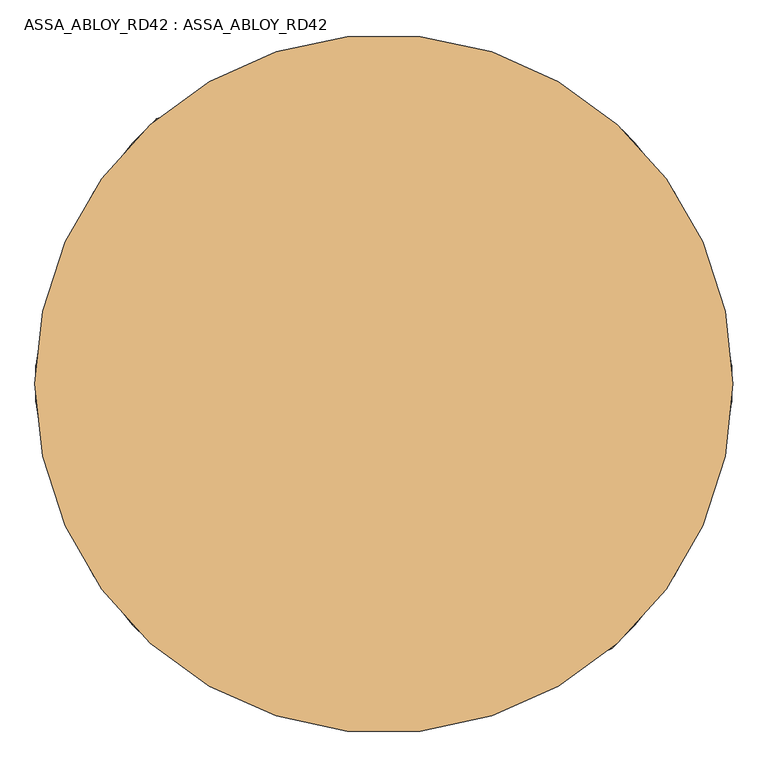
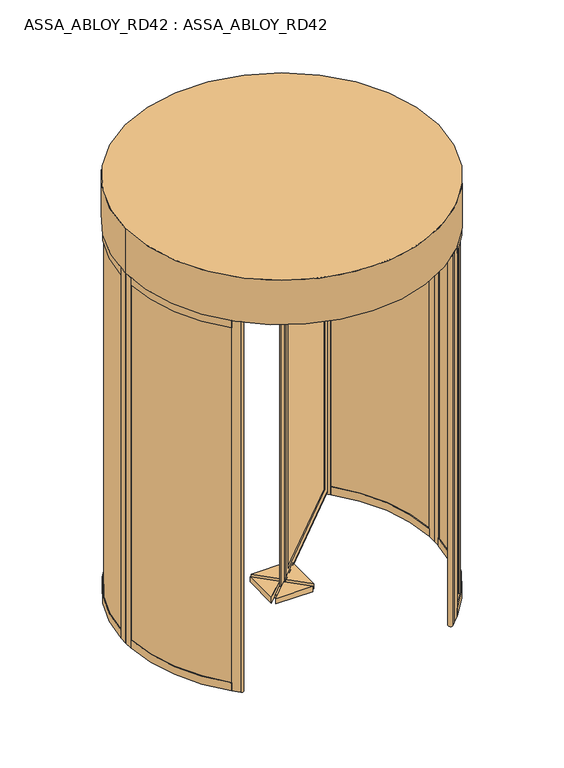
"""IFC4 building model written with IfcOpenShell, lengths in millimetres: door geometry, ASSA_ABLOY_RD42 : ASSA_ABLOY_RD42."""

from ifc_helpers import new_model, si_unit, point, frame, frame_2d, origin, origin_with_axes, place, context, project, spatial, polyline, circle_curve, ellipse_curve, trimmed, segment, composite_curve, outline, extrude, source, transform, mapped, element, save
from ifc_brep_helpers import plane_surface, cylinder_surface, revolved_surface, advanced_brep


def assa_abloy_rd42_assa_abloy_rd42_bffa6f6a(model_context):
    return source(origin(), model_context, "Body", "SolidModel", [
        advanced_brep(
        [(744.4255403, 605.2834047, 105.0), (746.5468607, 603.1620844, 105.0), (746.5468607, 603.1620844, 2395.0), (744.4255403, 605.2834047, 2395.0), (744.4255403, 633.5676759, 85.0), (758.5676759, 619.4255403, 85.0), (758.5676759, 619.4255403, 2415.0), (744.4255403, 633.5676759, 2415.0), (728.1620844, 621.5468607, 105.0), (730.2834047, 619.4255403, 105.0), (730.2834047, 619.4255403, 2395.0), (728.1620844, 621.5468607, 2395.0), (783.3164133, 639.931637, 53.0), (764.931637, 658.3164133, 53.0), (764.931637, 658.3164133, 2447.0), (783.3164133, 639.931637, 2447.0), (191.4680374, 48.0832611, 2395.0), (189.3467171, 50.2045815, 2395.0), (175.2045815, 36.0624458, 2415.0), (161.0624458, 50.2045815, 2415.0), (175.2045815, 64.3467171, 2395.0), (173.0832611, 66.4680374, 2395.0), (136.3137085, 29.6984848, 2447.0), (154.6984848, 11.3137085, 2447.0), (191.4680374, 48.0832611, 105.0), (189.3467171, 50.2045815, 105.0), (175.2045815, 36.0624458, 85.0), (161.0624458, 50.2045815, 85.0), (175.2045815, 64.3467171, 105.0), (173.0832611, 66.4680374, 105.0), (136.3137085, 29.6984848, 53.0), (154.6984848, 11.3137085, 53.0)],
        [
            (0, 1),
            (1, 2),
            (2, 3),
            (3, 0),
            (4, 5),
            (5, 6),
            (6, 7),
            (7, 4),
            (8, 9),
            (9, 10),
            (10, 11),
            (11, 8),
            (12, 13, ellipse_curve(frame((774.1240251, 649.1240251, 53.0), z_axis=(0.5000000000000073, 0.4999999999999926, 0.7071067811865475), x_axis=(0.4999999999999934, 0.5000000000000063, -0.7071067811865476)), 18.3847763, 13.0)),
            (13, 14),
            (14, 15, ellipse_curve(frame((774.1240251, 649.1240251, 2447.0), z_axis=(0.49999999999999345, 0.5000000000000064, -0.7071067811865475), x_axis=(-0.5000000000000072, -0.4999999999999925, -0.7071067811865476)), 18.3847763, 13.0)),
            (15, 12),
            (2, 16),
            (16, 17),
            (17, 3),
            (6, 18),
            (18, 19),
            (19, 7),
            (10, 20),
            (20, 21),
            (21, 11),
            (14, 22),
            (22, 23, ellipse_curve(frame((145.5060967, 20.5060967, 2447.0), z_axis=(0.5000000000000073, 0.4999999999999926, 0.7071067811865475), x_axis=(0.4999999999999936, 0.5000000000000066, -0.7071067811865475)), 18.3847763, 13.0)),
            (23, 15),
            (16, 24),
            (24, 25),
            (25, 17),
            (18, 26),
            (26, 27),
            (27, 19),
            (20, 28),
            (28, 29),
            (29, 21),
            (22, 30),
            (30, 31, ellipse_curve(frame((145.5060967, 20.5060967, 53.0), z_axis=(-0.49999999999999345, -0.5000000000000064, 0.7071067811865475), x_axis=(0.5000000000000072, 0.4999999999999925, 0.7071067811865476)), 18.3847763, 13.0)),
            (31, 23),
            (24, 1),
            (0, 25),
            (5, 26),
            (4, 27),
            (9, 28),
            (8, 29),
            (13, 30),
            (12, 31),
        ],
        [
            plane_surface(frame((746.5468607, 603.1620844, 105.0), z_axis=(-0.7071067811865499, -0.7071067811865451, 0.0), x_axis=(0.0, 0.0, 1.0))),
            plane_surface(frame((758.5676759, 619.4255403, 85.0), z_axis=(-0.7071067811865483, -0.7071067811865467, 0.0), x_axis=(0.0, 0.0, 1.0))),
            plane_surface(frame((730.2834047, 619.4255403, 105.0), z_axis=(-0.7071067811865499, -0.7071067811865451, 0.0), x_axis=(0.0, 0.0, 1.0))),
            cylinder_surface(frame((774.1240251, 649.1240251, 40.0), z_axis=(0.0, 0.0, -1.0), x_axis=(-0.7071067811865481, -0.7071067811865469, 0.0)), 13.0),
            plane_surface(frame((746.5468607, 603.1620844, 2395.0), z_axis=(0.0, 0.0, -1.0), x_axis=(-0.7071067811865481, -0.7071067811865469, 0.0))),
            plane_surface(frame((758.5676759, 619.4255403, 2415.0), z_axis=(0.0, 0.0, -1.0), x_axis=(-0.7071067811865481, -0.7071067811865469, 0.0))),
            plane_surface(frame((730.2834047, 619.4255403, 2395.0), z_axis=(0.0, 0.0, -1.0), x_axis=(-0.7071067811865481, -0.7071067811865469, 0.0))),
            cylinder_surface(frame((783.3164133, 658.3164133, 2447.0), z_axis=(0.7071067811865481, 0.7071067811865469, 0.0), x_axis=(0.0, 0.0, -1.0)), 13.0),
            plane_surface(frame((191.4680374, 48.0832611, 2395.0), z_axis=(0.7071067811865464, 0.7071067811865487, 0.0), x_axis=(0.0, 0.0, -1.0))),
            plane_surface(frame((175.2045815, 36.0624458, 2415.0), z_axis=(0.7071067811865479, 0.7071067811865471, 0.0), x_axis=(0.0, 0.0, -1.0))),
            plane_surface(frame((175.2045815, 64.3467171, 2395.0), z_axis=(0.7071067811865464, 0.7071067811865487, 0.0), x_axis=(0.0, 0.0, -1.0))),
            cylinder_surface(frame((145.5060967, 20.5060967, 2460.0), z_axis=(0.0, 0.0, 1.0), x_axis=(0.7071067811865481, 0.7071067811865469, 0.0)), 13.0),
            plane_surface(frame((191.4680374, 48.0832611, 105.0), z_axis=(0.0, 0.0, 1.0), x_axis=(0.7071067811865481, 0.7071067811865469, 0.0))),
            plane_surface(frame((189.3467171, 50.2045815, 105.0), z_axis=(-0.7071067811865469, 0.7071067811865481, 0.0), x_axis=(0.7071067811865481, 0.7071067811865469, 0.0))),
            plane_surface(frame((175.2045815, 36.0624458, 85.0), z_axis=(0.0, 0.0, 1.0), x_axis=(0.7071067811865481, 0.7071067811865469, 0.0))),
            plane_surface(frame((161.0624458, 50.2045815, 85.0), z_axis=(0.7071067811865469, -0.7071067811865481, 0.0), x_axis=(0.7071067811865481, 0.7071067811865469, 0.0))),
            plane_surface(frame((175.2045815, 64.3467171, 105.0), z_axis=(0.0, 0.0, 1.0), x_axis=(0.7071067811865481, 0.7071067811865469, 0.0))),
            plane_surface(frame((173.0832611, 66.4680374, 105.0), z_axis=(-0.7071067811865469, 0.7071067811865481, 0.0), x_axis=(0.7071067811865481, 0.7071067811865469, 0.0))),
            cylinder_surface(frame((136.3137085, 11.3137085, 53.0), z_axis=(-0.7071067811865481, -0.7071067811865469, 0.0), x_axis=(0.0, 0.0, 1.0)), 13.0),
            plane_surface(frame((154.6984848, 11.3137085, 53.0), z_axis=(0.7071067811865469, -0.7071067811865481, 0.0), x_axis=(0.7071067811865481, 0.7071067811865469, 0.0))),
        ],
        [
            (0, [[1, 2, 3, 4]]),
            (1, [[5, 6, 7, 8]]),
            (2, [[9, 10, 11, 12]]),
            (3, [[13, 14, 15, 16]]),
            (4, [[-3, 17, 18, 19]]),
            (5, [[-7, 20, 21, 22]]),
            (6, [[-11, 23, 24, 25]]),
            (7, [[-15, 26, 27, 28]]),
            (8, [[-18, 29, 30, 31]]),
            (9, [[-21, 32, 33, 34]]),
            (10, [[-24, 35, 36, 37]]),
            (11, [[-27, 38, 39, 40]]),
            (12, [[-30, 41, -1, 42]]),
            (13, [[43, -32, -20, -6], [-19, -31, -42, -4]]),
            (14, [[-33, -43, -5, 44]]),
            (15, [[-22, -34, -44, -8], [45, -35, -23, -10]]),
            (16, [[-36, -45, -9, 46]]),
            (17, [[47, -38, -26, -14], [-25, -37, -46, -12]]),
            (18, [[-39, -47, -13, 48]]),
            (19, [[-28, -40, -48, -16], [-41, -29, -17, -2]]),
        ],
    ),
        extrude(outline(polyline([(747.9610742, 630.032142), (755.032142, 622.9610742), (171.6690476, 39.5979797), (164.5979797, 46.6690476), (747.9610742, 630.032142)])), frame((0.0, 0.0, 85.0), z_axis=(0.0, 0.0, 1.0), x_axis=(1.0, 0.0, 0.0)), (0.0, 0.0, 1.0), 2330.0),
        extrude(outline(composite_curve([segment(trimmed(circle_curve(frame_2d((125.0, 0.0)), 24.0), [point((108.0294373, -16.9705627))], [point((141.9705627, 16.9705627))], False, "CARTESIAN"), True, "CONTINUOUS"), segment(trimmed(circle_curve(frame_2d((125.0, 0.0)), 24.0), [point((141.9705627, 16.9705627))], [point((108.0294373, -16.9705627))], False, "CARTESIAN"), True, "CONTINUOUS")], self_intersect=False)), origin_with_axes(), (0.0, 0.0, 1.0), 20.0),
        extrude(outline(composite_curve([segment(trimmed(circle_curve(frame_2d((125.0, 0.0)), 100.0), [point((54.2893219, -70.7106781))], [point((195.7106781, 70.7106781))], False, "CARTESIAN"), True, "CONTINUOUS"), segment(trimmed(circle_curve(frame_2d((125.0, 0.0)), 100.0), [point((195.7106781, 70.7106781))], [point((54.2893219, -70.7106781))], False, "CARTESIAN"), True, "CONTINUOUS")], self_intersect=False)), frame((0.0, 0.0, 20.0), z_axis=(0.0, 0.0, 1.0), x_axis=(1.0, 0.0, 0.0)), (0.0, 0.0, 1.0), 20.0),
        extrude(outline(composite_curve([segment(trimmed(circle_curve(frame_2d((125.0, 0.0)), 24.0), [point((141.9705627, 16.9705627))], [point((108.0294373, -16.9705627))], False, "CARTESIAN"), True, "CONTINUOUS"), segment(trimmed(circle_curve(frame_2d((125.0, 0.0)), 24.0), [point((108.0294373, -16.9705627))], [point((141.9705627, 16.9705627))], False, "CARTESIAN"), True, "CONTINUOUS")], self_intersect=False)), frame((0.0, 0.0, 2480.0), z_axis=(0.0, 0.0, 1.0), x_axis=(1.0, 0.0, 0.0)), (0.0, 0.0, 1.0), 20.0),
        extrude(outline(composite_curve([segment(trimmed(circle_curve(frame_2d((125.0, 0.0)), 100.0), [point((195.7106781, 70.7106781))], [point((54.2893219, -70.7106781))], False, "CARTESIAN"), True, "CONTINUOUS"), segment(trimmed(circle_curve(frame_2d((125.0, 0.0)), 100.0), [point((54.2893219, -70.7106781))], [point((195.7106781, 70.7106781))], False, "CARTESIAN"), True, "CONTINUOUS")], self_intersect=False)), frame((0.0, 0.0, 2460.0), z_axis=(0.0, 0.0, 1.0), x_axis=(1.0, 0.0, 0.0)), (0.0, 0.0, 1.0), 20.0),
        extrude(outline(composite_curve([segment(trimmed(circle_curve(frame_2d((125.0, 0.0)), 12.5), [point((116.1611652, -8.8388348))], [point((133.8388348, 8.8388348))], False, "CARTESIAN"), True, "CONTINUOUS"), segment(trimmed(circle_curve(frame_2d((125.0, 0.0)), 12.5), [point((133.8388348, 8.8388348))], [point((116.1611652, -8.8388348))], False, "CARTESIAN"), True, "CONTINUOUS")], self_intersect=False)), origin_with_axes(), (0.0, 0.0, 1.0), 2500.0),
        extrude(outline(polyline([(-11.0, 117.6152237), (106.6152237, 0.0), (-11.0, -117.6152237), (-11.0, 117.6152237)])), frame((0.0, 0.0, 2425.0), z_axis=(0.0, 0.0, 1.0), x_axis=(1.0, 0.0, 0.0)), (0.0, 0.0, 1.0), 35.0),
        extrude(outline(polyline([(7.3847763, -136.0), (125.0, -18.3847763), (242.6152237, -136.0), (7.3847763, -136.0)])), frame((0.0, 0.0, 2425.0), z_axis=(0.0, 0.0, 1.0), x_axis=(1.0, 0.0, 0.0)), (0.0, 0.0, 1.0), 35.0),
        extrude(outline(polyline([(261.0, -117.6152237), (143.3847763, 0.0), (261.0, 117.6152237), (261.0, -117.6152237)])), frame((0.0, 0.0, 2425.0), z_axis=(0.0, 0.0, 1.0), x_axis=(1.0, 0.0, 0.0)), (0.0, 0.0, 1.0), 35.0),
        extrude(outline(polyline([(242.6152237, 136.0), (125.0, 18.3847763), (7.3847763, 136.0), (242.6152237, 136.0)])), frame((0.0, 0.0, 2425.0), z_axis=(0.0, 0.0, 1.0), x_axis=(1.0, 0.0, 0.0)), (0.0, 0.0, 1.0), 35.0),
        extrude(outline(polyline([(-11.0, 117.6152237), (106.6152237, 0.0), (-11.0, -117.6152237), (-11.0, 117.6152237)])), frame((0.0, 0.0, 40.0), z_axis=(0.0, 0.0, 1.0), x_axis=(1.0, 0.0, 0.0)), (0.0, 0.0, 1.0), 35.0),
        extrude(outline(polyline([(7.3847763, -136.0), (125.0, -18.3847763), (242.6152237, -136.0), (7.3847763, -136.0)])), frame((0.0, 0.0, 40.0), z_axis=(0.0, 0.0, 1.0), x_axis=(1.0, 0.0, 0.0)), (0.0, 0.0, 1.0), 35.0),
        extrude(outline(polyline([(261.0, -117.6152237), (143.3847763, 0.0), (261.0, 117.6152237), (261.0, -117.6152237)])), frame((0.0, 0.0, 40.0), z_axis=(0.0, 0.0, 1.0), x_axis=(1.0, 0.0, 0.0)), (0.0, 0.0, 1.0), 35.0),
        extrude(outline(polyline([(242.6152237, 136.0), (125.0, 18.3847763), (7.3847763, 136.0), (242.6152237, 136.0)])), frame((0.0, 0.0, 40.0), z_axis=(0.0, 0.0, 1.0), x_axis=(1.0, 0.0, 0.0)), (0.0, 0.0, 1.0), 35.0),
        extrude(outline(composite_curve([segment(trimmed(circle_curve(frame_2d((125.0, 0.0)), 974.0), [point((-563.7220049, 688.7220049))], [point((-563.7220049, -688.7220049))], True, "CARTESIAN"), True, "CONTINUOUS"), segment(polyline([(-563.7220049, -688.7220049), (-577.8641405, -702.8641405)]), True, "CONTINUOUS"), segment(trimmed(circle_curve(frame_2d((125.0, 0.0)), 994.0), [point((-577.8641405, -702.8641405))], [point((-577.8641405, 702.8641405))], False, "CARTESIAN"), True, "CONTINUOUS"), segment(polyline([(-577.8641405, 702.8641405), (-563.7220049, 688.7220049)]), True, "CONTINUOUS")], self_intersect=False)), frame((0.0, 0.0, 2495.0), z_axis=(0.0, 0.0, 1.0), x_axis=(1.0, 0.0, 0.0)), (0.0, 0.0, 1.0), 5.0),
        extrude(outline(composite_curve([segment(trimmed(circle_curve(frame_2d((125.0, 0.0)), 989.0), [point((824.3286066, 699.3286066))], [point((1113.4436781, 33.1676829))], False, "CARTESIAN"), True, "CONTINUOUS"), segment(polyline([(1113.4436781, 33.1676829), (1103.4493032, 32.8323171)]), True, "CONTINUOUS"), segment(trimmed(circle_curve(frame_2d((125.0, 0.0)), 979.0), [point((1103.4493032, 32.8323171))], [point((817.2575388, 692.2575388))], True, "CARTESIAN"), True, "CONTINUOUS"), segment(polyline([(817.2575388, 692.2575388), (824.3286066, 699.3286066)]), True, "CONTINUOUS")], self_intersect=False)), frame((0.0, 0.0, 33.0), z_axis=(0.0, 0.0, 1.0), x_axis=(1.0, 0.0, 0.0)), (0.0, 0.0, 1.0), 2437.0),
        extrude(outline(composite_curve([segment(trimmed(circle_curve(frame_2d((125.0, 0.0)), 989.0), [point((1113.4436781, -33.1676829))], [point((824.3286066, -699.3286066))], False, "CARTESIAN"), True, "CONTINUOUS"), segment(polyline([(824.3286066, -699.3286066), (817.2575388, -692.2575388)]), True, "CONTINUOUS"), segment(trimmed(circle_curve(frame_2d((125.0, 0.0)), 979.0), [point((817.2575388, -692.2575388))], [point((1103.4493032, -32.8323171))], True, "CARTESIAN"), True, "CONTINUOUS"), segment(polyline([(1103.4493032, -32.8323171), (1113.4436781, -33.1676829)]), True, "CONTINUOUS")], self_intersect=False)), frame((0.0, 0.0, 33.0), z_axis=(0.0, 0.0, 1.0), x_axis=(1.0, 0.0, 0.0)), (0.0, 0.0, 1.0), 2437.0),
        extrude(outline(composite_curve([segment(polyline([(827.863883, -702.863883), (842.0060186, -688.7217474), (844.1270815, -690.8428103), (799.5793543, -735.3905375), (800.2864632, -736.0976464), (779.0719672, -757.3121425)]), True, "CONTINUOUS"), segment(trimmed(circle_curve(frame_2d((769.1727276, -747.4129028)), 13.9996389), [point((779.0719672, -757.3121425))], [point((759.273488, -737.5136632))], False, "CARTESIAN"), True, "CONTINUOUS"), segment(polyline([(759.273488, -737.5136632), (780.487984, -716.2991672), (781.1950929, -717.0062761), (825.7428202, -672.4585489), (827.863883, -674.5796118), (813.7217474, -688.7217474), (827.863883, -702.863883)]), True, "CONTINUOUS")], self_intersect=False)), origin_with_axes(), (0.0, 0.0, 1.0), 2500.0),
        extrude(outline(composite_curve([segment(polyline([(827.863883, 702.863883), (813.7217474, 688.7217474), (827.863883, 674.5796118), (825.7428202, 672.4585489), (788.9730099, 709.2283592)]), True, "CONTINUOUS"), segment(trimmed(circle_curve(frame_2d((798.1651406, 718.4204898)), 12.9996359), [point((788.9730099, 709.2283592))], [point((807.3572713, 727.6126205))], False, "CARTESIAN"), True, "CONTINUOUS"), segment(polyline([(807.3572713, 727.6126205), (844.1270815, 690.8428103), (842.0060186, 688.7217474), (827.863883, 702.863883)]), True, "CONTINUOUS")], self_intersect=False)), origin_with_axes(), (0.0, 0.0, 1.0), 2500.0),
        advanced_brep(
        [(825.2358565, 672.6891892, 0.0), (825.2358565, 672.6891892, 53.0), (827.3993041, 674.7675286, 53.0), (827.3993041, 674.7675286, 33.0), (841.8222877, 688.6231246, 33.0), (841.8222877, 688.6231246, 53.0), (843.9857353, 690.701464, 53.0), (843.9857353, 690.701464, 0.0), (1094.6270403, 51.6178536, 0.0), (1120.5902772, 53.0, 0.0), (1120.5902772, 53.0, 53.0), (1117.5945191, 52.8405216, 53.0), (1117.5945191, 52.8405216, 33.0), (1097.6227984, 51.777332, 33.0), (1097.6227984, 51.777332, 53.0), (1094.6270403, 51.6178536, 53.0)],
        [
            (0, 1),
            (1, 2),
            (2, 3),
            (3, 4),
            (4, 5),
            (5, 6),
            (6, 7),
            (7, 0),
            (8, 9),
            (9, 10),
            (10, 11),
            (11, 12),
            (12, 13),
            (13, 14),
            (14, 15),
            (15, 8),
            (15, 1, circle_curve(frame((125.0, 0.0, 53.0), z_axis=(0.0, 0.0, 1.0), x_axis=(0.7211491828452432, 0.6927798034596837, 0.0)), 971.0)),
            (0, 8, circle_curve(frame((125.0, 0.0, 0.0), z_axis=(0.0, 0.0, -1.0), x_axis=(0.7211491828452432, 0.6927798034596837, 0.0)), 971.0)),
            (14, 2, circle_curve(frame((125.0, 0.0, 53.0), z_axis=(0.0, 0.0, 1.0), x_axis=(0.7211491828452432, 0.6927798034596837, 0.0)), 974.0)),
            (13, 3, circle_curve(frame((125.0, 0.0, 33.0), z_axis=(0.0, 0.0, 1.0), x_axis=(0.7211491828452432, 0.6927798034596837, 0.0)), 974.0)),
            (12, 4, circle_curve(frame((125.0, 0.0, 33.0), z_axis=(0.0, 0.0, 1.0), x_axis=(0.7211491828452432, 0.6927798034596837, 0.0)), 994.0)),
            (11, 5, circle_curve(frame((125.0, 0.0, 53.0), z_axis=(0.0, 0.0, 1.0), x_axis=(0.7211491828452432, 0.6927798034596837, 0.0)), 994.0)),
            (10, 6, circle_curve(frame((125.0, 0.0, 53.0), z_axis=(0.0, 0.0, 1.0), x_axis=(0.7211491828452432, 0.6927798034596837, 0.0)), 997.0)),
            (9, 7, circle_curve(frame((125.0, 0.0, 0.0), z_axis=(0.0, 0.0, 1.0), x_axis=(0.7211491828452432, 0.6927798034596837, 0.0)), 997.0)),
        ],
        [
            plane_surface(frame((843.9857353, 690.701464, 0.0), z_axis=(-0.6927798034596837, 0.7211491828452432, 0.0), x_axis=(0.0, 0.0, 1.0))),
            plane_surface(frame((1120.5902772, 53.0, 0.0), z_axis=(0.053159478435430674, -0.9985860352781193, 0.0), x_axis=(0.0, 0.0, 1.0))),
            revolved_surface(polyline([(825.2358565427312, 672.6891891593528, 0.0), (825.2358565427312, 672.6891891593528, 53.0)]), (125.0, 0.0, 0.0), (0.0, 0.0, -1.0)),
            plane_surface(frame((125.0, 0.0, 53.0), z_axis=(0.0, 0.0, 1.0), x_axis=(0.7211491828452432, 0.6927798034596837, 0.0))),
            cylinder_surface(frame((125.0, 0.0, 0.0), z_axis=(0.0, 0.0, -1.0), x_axis=(0.7211491828452432, 0.6927798034596837, 0.0)), 974.0),
            plane_surface(frame((125.0, 0.0, 33.0), z_axis=(0.0, 0.0, 1.0), x_axis=(0.7211491828452432, 0.6927798034596837, 0.0))),
            revolved_surface(polyline([(841.8222877481718, 688.6231246389256, 33.0), (841.8222877481718, 688.6231246389256, 53.0)]), (125.0, 0.0, 0.0), (0.0, 0.0, -1.0)),
            cylinder_surface(frame((125.0, 0.0, 0.0), z_axis=(0.0, 0.0, -1.0), x_axis=(0.7211491828452432, 0.6927798034596837, 0.0)), 997.0),
            plane_surface(frame((125.0, 0.0, 0.0), z_axis=(0.0, 0.0, -1.0), x_axis=(0.7211491828452432, 0.6927798034596837, 0.0))),
        ],
        [
            (0, [[1, 2, 3, 4, 5, 6, 7, 8]]),
            (1, [[9, 10, 11, 12, 13, 14, 15, 16]]),
            (2, [[17, -1, 18, -16]]),
            (3, [[19, -2, -17, -15]]),
            (4, [[20, -3, -19, -14]]),
            (5, [[21, -4, -20, -13]]),
            (6, [[22, -5, -21, -12]]),
            (3, [[23, -6, -22, -11]]),
            (7, [[24, -7, -23, -10]]),
            (8, [[-18, -8, -24, -9]]),
        ],
    ),
        advanced_brep(
        [(1094.6270403, 51.6178536, 2500.0), (1094.6270403, 51.6178536, 2450.0), (1097.6227984, 51.777332, 2450.0), (1097.6227984, 51.777332, 2470.0), (1117.5945191, 52.8405216, 2470.0), (1117.5945191, 52.8405216, 2450.0), (1120.5902772, 53.0, 2450.0), (1120.5902772, 53.0, 2500.0), (825.2358565, 672.6891892, 2500.0), (843.9857353, 690.701464, 2500.0), (843.9857353, 690.701464, 2450.0), (841.8222877, 688.6231246, 2450.0), (841.8222877, 688.6231246, 2470.0), (827.3993041, 674.7675286, 2470.0), (827.3993041, 674.7675286, 2450.0), (825.2358565, 672.6891892, 2450.0)],
        [
            (0, 1),
            (1, 2),
            (2, 3),
            (3, 4),
            (4, 5),
            (5, 6),
            (6, 7),
            (7, 0),
            (8, 9),
            (9, 10),
            (10, 11),
            (11, 12),
            (12, 13),
            (13, 14),
            (14, 15),
            (15, 8),
            (15, 1, circle_curve(frame((125.0, 0.0, 2450.0), z_axis=(0.0, 0.0, -1.0), x_axis=(0.9985860352779962, 0.053159478437741485, 0.0)), 971.0)),
            (0, 8, circle_curve(frame((125.0, 0.0, 2500.0), z_axis=(0.0, 0.0, 1.0), x_axis=(0.9985860352779962, 0.053159478437741485, 0.0)), 971.0)),
            (14, 2, circle_curve(frame((125.0, 0.0, 2450.0), z_axis=(0.0, 0.0, -1.0), x_axis=(0.9985860352779962, 0.053159478437741485, 0.0)), 974.0)),
            (9, 7, circle_curve(frame((125.0, 0.0, 2500.0), z_axis=(0.0, 0.0, -1.0), x_axis=(0.9985860352779962, 0.053159478437741485, 0.0)), 997.0)),
            (6, 10, circle_curve(frame((125.0, 0.0, 2450.0), z_axis=(0.0, 0.0, 1.0), x_axis=(0.9985860352779962, 0.053159478437741485, 0.0)), 997.0)),
            (13, 3, circle_curve(frame((125.0, 0.0, 2470.0), z_axis=(0.0, 0.0, -1.0), x_axis=(0.9985860352779962, 0.053159478437741485, 0.0)), 974.0)),
            (12, 4, circle_curve(frame((125.0, 0.0, 2470.0), z_axis=(0.0, 0.0, -1.0), x_axis=(0.9985860352779962, 0.053159478437741485, 0.0)), 994.0)),
            (11, 5, circle_curve(frame((125.0, 0.0, 2450.0), z_axis=(0.0, 0.0, -1.0), x_axis=(0.9985860352779962, 0.053159478437741485, 0.0)), 994.0)),
        ],
        [
            plane_surface(frame((1120.5902772, 53.0, 2500.0), z_axis=(0.05315947843774149, -0.9985860352779962, 0.0), x_axis=(0.0, 0.0, 1.0))),
            plane_surface(frame((843.9857353, 690.701464, 2500.0), z_axis=(-0.692779803459834, 0.7211491828450988, 0.0), x_axis=(0.0, 0.0, 1.0))),
            revolved_surface(polyline([(1094.6270402549344, 51.617853563046985, 2500.0), (1094.6270402549344, 51.617853563046985, 2450.0)]), (125.0, 0.0, 2500.0), (0.0, 0.0, 1.0)),
            plane_surface(frame((125.0, 0.0, 2450.0), z_axis=(0.0, 0.0, -1.0000000000000002), x_axis=(0.9985860352779962, 0.053159478437741485, 0.0))),
            cylinder_surface(frame((125.0, 0.0, 2500.0), z_axis=(0.0, 0.0, 1.0), x_axis=(0.9985860352779962, 0.053159478437741485, 0.0)), 997.0),
            plane_surface(frame((125.0, 0.0, 2500.0), z_axis=(0.0, 0.0, 1.0000000000000002), x_axis=(0.9985860352779962, 0.053159478437741485, 0.0))),
            cylinder_surface(frame((125.0, 0.0, 2500.0), z_axis=(0.0, 0.0, 1.0), x_axis=(0.9985860352779962, 0.053159478437741485, 0.0)), 974.0),
            plane_surface(frame((125.0, 0.0, 2470.0), z_axis=(0.0, 0.0, -1.0000000000000002), x_axis=(0.9985860352779962, 0.053159478437741485, 0.0))),
            revolved_surface(polyline([(1117.5945190663283, 52.84052156711503, 2470.0), (1117.5945190663283, 52.84052156711503, 2450.0)]), (125.0, 0.0, 2500.0), (0.0, 0.0, 1.0)),
        ],
        [
            (0, [[1, 2, 3, 4, 5, 6, 7, 8]]),
            (1, [[9, 10, 11, 12, 13, 14, 15, 16]]),
            (2, [[17, -1, 18, -16]]),
            (3, [[19, -2, -17, -15]]),
            (4, [[20, -7, 21, -10]]),
            (5, [[-18, -8, -20, -9]]),
            (6, [[22, -3, -19, -14]]),
            (7, [[23, -4, -22, -13]]),
            (8, [[24, -5, -23, -12]]),
            (3, [[-21, -6, -24, -11]]),
        ],
    ),
        extrude(outline(polyline([(1122.0, 0.0), (1096.0, 0.0), (1096.0, 53.0), (1099.0, 53.0), (1099.0, 33.0), (1119.0, 33.0), (1119.0, 53.0), (1122.0, 53.0), (1122.0, 0.0)])), origin_with_axes(), (0.0, 0.0, 1.0), 2500.0),
        advanced_brep(
        [(825.2358565, -672.6891892, 0.0), (843.9857353, -690.701464, 0.0), (843.9857353, -690.701464, 53.0), (841.8222877, -688.6231246, 53.0), (841.8222877, -688.6231246, 33.0), (827.3993041, -674.7675286, 33.0), (827.3993041, -674.7675286, 53.0), (825.2358565, -672.6891892, 53.0), (1094.6270403, -51.6178536, 0.0), (1094.6270403, -51.6178536, 53.0), (1097.6227984, -51.777332, 53.0), (1097.6227984, -51.777332, 33.0), (1117.5945191, -52.8405216, 33.0), (1117.5945191, -52.8405216, 53.0), (1120.5902772, -53.0, 53.0), (1120.5902772, -53.0, 0.0)],
        [
            (0, 1),
            (1, 2),
            (2, 3),
            (3, 4),
            (4, 5),
            (5, 6),
            (6, 7),
            (7, 0),
            (8, 9),
            (9, 10),
            (10, 11),
            (11, 12),
            (12, 13),
            (13, 14),
            (14, 15),
            (15, 8),
            (8, 0, circle_curve(frame((125.0, 0.0, 0.0), z_axis=(0.0, 0.0, -1.0), x_axis=(0.7211491828451337, -0.6927798034597976, 0.0)), 971.0)),
            (7, 9, circle_curve(frame((125.0, 0.0, 53.0), z_axis=(0.0, 0.0, 1.0), x_axis=(0.7211491828451337, -0.6927798034597976, 0.0)), 971.0)),
            (6, 10, circle_curve(frame((125.0, 0.0, 53.0), z_axis=(0.0, 0.0, 1.0), x_axis=(0.7211491828451337, -0.6927798034597976, 0.0)), 974.0)),
            (5, 11, circle_curve(frame((125.0, 0.0, 33.0), z_axis=(0.0, 0.0, 1.0), x_axis=(0.7211491828451337, -0.6927798034597976, 0.0)), 974.0)),
            (4, 12, circle_curve(frame((125.0, 0.0, 33.0), z_axis=(0.0, 0.0, 1.0), x_axis=(0.7211491828451337, -0.6927798034597976, 0.0)), 994.0)),
            (3, 13, circle_curve(frame((125.0, 0.0, 53.0), z_axis=(0.0, 0.0, 1.0), x_axis=(0.7211491828451337, -0.6927798034597976, 0.0)), 994.0)),
            (2, 14, circle_curve(frame((125.0, 0.0, 53.0), z_axis=(0.0, 0.0, 1.0), x_axis=(0.7211491828451337, -0.6927798034597976, 0.0)), 997.0)),
            (1, 15, circle_curve(frame((125.0, 0.0, 0.0), z_axis=(0.0, 0.0, 1.0), x_axis=(0.7211491828451337, -0.6927798034597976, 0.0)), 997.0)),
        ],
        [
            plane_surface(frame((843.9857353, -690.701464, 0.0), z_axis=(-0.6927798034597977, -0.7211491828451339, 0.0), x_axis=(0.0, 0.0, 1.0))),
            plane_surface(frame((1120.5902772, -53.0, 0.0), z_axis=(0.053159478435759744, 0.9985860352781017, 0.0), x_axis=(0.0, 0.0, 1.0))),
            revolved_surface(polyline([(825.2358565426249, -672.6891891594635, 53.0), (825.2358565426249, -672.6891891594635, 0.0)]), (125.0, 0.0, 0.0), (0.0, 0.0, 1.0)),
            plane_surface(frame((125.0, 0.0, 53.0), z_axis=(0.0, 0.0, 1.0000000000000002), x_axis=(0.7211491828451339, -0.6927798034597977, 0.0))),
            cylinder_surface(frame((125.0, 0.0, 0.0), z_axis=(0.0, 0.0, 1.0), x_axis=(0.7211491828451337, -0.6927798034597976, 0.0)), 974.0),
            plane_surface(frame((125.0, 0.0, 33.0), z_axis=(0.0, 0.0, 1.0000000000000002), x_axis=(0.7211491828451339, -0.6927798034597977, 0.0))),
            revolved_surface(polyline([(841.822287748063, -688.6231246390388, 53.0), (841.822287748063, -688.6231246390388, 33.0)]), (125.0, 0.0, 0.0), (0.0, 0.0, 1.0)),
            cylinder_surface(frame((125.0, 0.0, 0.0), z_axis=(0.0, 0.0, 1.0), x_axis=(0.7211491828451337, -0.6927798034597976, 0.0)), 997.0),
            plane_surface(frame((125.0, 0.0, 0.0), z_axis=(0.0, 0.0, -1.0000000000000002), x_axis=(0.7211491828451339, -0.6927798034597977, 0.0))),
        ],
        [
            (0, [[1, 2, 3, 4, 5, 6, 7, 8]]),
            (1, [[9, 10, 11, 12, 13, 14, 15, 16]]),
            (2, [[17, -8, 18, -9]]),
            (3, [[-18, -7, 19, -10]]),
            (4, [[-19, -6, 20, -11]]),
            (5, [[-20, -5, 21, -12]]),
            (6, [[-21, -4, 22, -13]]),
            (3, [[-22, -3, 23, -14]]),
            (7, [[-23, -2, 24, -15]]),
            (8, [[-24, -1, -17, -16]]),
        ],
    ),
        advanced_brep(
        [(1094.6270403, -51.6178536, 2500.0), (1120.5902772, -53.0, 2500.0), (1120.5902772, -53.0, 2450.0), (1117.5945191, -52.8405216, 2450.0), (1117.5945191, -52.8405216, 2470.0), (1097.6227984, -51.777332, 2470.0), (1097.6227984, -51.777332, 2450.0), (1094.6270403, -51.6178536, 2450.0), (825.2358565, -672.6891892, 2500.0), (825.2358565, -672.6891892, 2450.0), (827.3993041, -674.7675286, 2450.0), (827.3993041, -674.7675286, 2470.0), (841.8222877, -688.6231246, 2470.0), (841.8222877, -688.6231246, 2450.0), (843.9857353, -690.7014641, 2450.0), (843.9857353, -690.7014641, 2500.0)],
        [
            (0, 1),
            (1, 2),
            (2, 3),
            (3, 4),
            (4, 5),
            (5, 6),
            (6, 7),
            (7, 0),
            (8, 9),
            (9, 10),
            (10, 11),
            (11, 12),
            (12, 13),
            (13, 14),
            (14, 15),
            (15, 8),
            (8, 0, circle_curve(frame((125.0, 0.0, 2500.0), z_axis=(0.0, 0.0, 1.0), x_axis=(0.9985860352782786, -0.05315947843243415, 0.0)), 971.0)),
            (7, 9, circle_curve(frame((125.0, 0.0, 2450.0), z_axis=(0.0, 0.0, -1.0), x_axis=(0.9985860352782786, -0.05315947843243415, 0.0)), 971.0)),
            (6, 10, circle_curve(frame((125.0, 0.0, 2450.0), z_axis=(0.0, 0.0, -1.0), x_axis=(0.9985860352782786, -0.05315947843243415, 0.0)), 974.0)),
            (14, 2, circle_curve(frame((125.0, 0.0, 2450.0), z_axis=(0.0, 0.0, 1.0), x_axis=(0.9985860352782786, -0.05315947843243415, 0.0)), 997.0)),
            (1, 15, circle_curve(frame((125.0, 0.0, 2500.0), z_axis=(0.0, 0.0, -1.0), x_axis=(0.9985860352782786, -0.05315947843243415, 0.0)), 997.0)),
            (5, 11, circle_curve(frame((125.0, 0.0, 2470.0), z_axis=(0.0, 0.0, -1.0), x_axis=(0.9985860352782786, -0.05315947843243415, 0.0)), 974.0)),
            (4, 12, circle_curve(frame((125.0, 0.0, 2470.0), z_axis=(0.0, 0.0, -1.0), x_axis=(0.9985860352782786, -0.05315947843243415, 0.0)), 994.0)),
            (3, 13, circle_curve(frame((125.0, 0.0, 2450.0), z_axis=(0.0, 0.0, -1.0), x_axis=(0.9985860352782786, -0.05315947843243415, 0.0)), 994.0)),
        ],
        [
            plane_surface(frame((1120.5902772, -53.0, 2500.0), z_axis=(0.053159478432434126, 0.9985860352782787, 0.0), x_axis=(0.0, 0.0, 1.0))),
            plane_surface(frame((843.9857353, -690.7014641, 2500.0), z_axis=(-0.6927798034572439, -0.7211491828475871, 0.0), x_axis=(0.0, 0.0, 1.0))),
            revolved_surface(polyline([(1094.6270402552086, -51.617853557893554, 2450.0), (1094.6270402552086, -51.617853557893554, 2500.0)]), (125.0, 0.0, 2500.0), (0.0, 0.0, -1.0)),
            plane_surface(frame((125.0, 0.0, 2450.0), z_axis=(0.0, 0.0, -1.0), x_axis=(0.9985860352782787, -0.053159478432434154, 0.0))),
            cylinder_surface(frame((125.0, 0.0, 2500.0), z_axis=(0.0, 0.0, -1.0), x_axis=(0.9985860352782786, -0.05315947843243415, 0.0)), 997.0),
            plane_surface(frame((125.0, 0.0, 2500.0), z_axis=(0.0, 0.0, 1.0), x_axis=(0.9985860352782787, -0.053159478432434154, 0.0))),
            cylinder_surface(frame((125.0, 0.0, 2500.0), z_axis=(0.0, 0.0, -1.0), x_axis=(0.9985860352782786, -0.05315947843243415, 0.0)), 974.0),
            plane_surface(frame((125.0, 0.0, 2470.0), z_axis=(0.0, 0.0, -1.0), x_axis=(0.9985860352782787, -0.053159478432434154, 0.0))),
            revolved_surface(polyline([(1117.5945190666089, -52.840521561839545, 2450.0), (1117.5945190666089, -52.840521561839545, 2470.0)]), (125.0, 0.0, 2500.0), (0.0, 0.0, -1.0)),
        ],
        [
            (0, [[1, 2, 3, 4, 5, 6, 7, 8]]),
            (1, [[9, 10, 11, 12, 13, 14, 15, 16]]),
            (2, [[17, -8, 18, -9]]),
            (3, [[-18, -7, 19, -10]]),
            (4, [[20, -2, 21, -15]]),
            (5, [[-21, -1, -17, -16]]),
            (6, [[-19, -6, 22, -11]]),
            (7, [[-22, -5, 23, -12]]),
            (8, [[-23, -4, 24, -13]]),
            (3, [[-24, -3, -20, -14]]),
        ],
    ),
        extrude(outline(polyline([(1122.0, 0.0), (1122.0, -53.0), (1119.0, -53.0), (1119.0, -33.0), (1099.0, -33.0), (1099.0, -53.0), (1096.0, -53.0), (1096.0, 0.0), (1122.0, 0.0)])), origin_with_axes(), (0.0, 0.0, 1.0), 2500.0),
        extrude(outline(composite_curve([segment(trimmed(circle_curve(frame_2d((125.0, 0.0)), 979.0), [point((-567.2575388, 692.2575388))], [point((-853.4493032, 32.8323171))], True, "CARTESIAN"), True, "CONTINUOUS"), segment(polyline([(-853.4493032, 32.8323171), (-863.4436781, 33.1676829)]), True, "CONTINUOUS"), segment(trimmed(circle_curve(frame_2d((125.0, 0.0)), 989.0), [point((-863.4436781, 33.1676829))], [point((-574.3286066, 699.3286066))], False, "CARTESIAN"), True, "CONTINUOUS"), segment(polyline([(-574.3286066, 699.3286066), (-567.2575388, 692.2575388)]), True, "CONTINUOUS")], self_intersect=False)), frame((0.0, 0.0, 33.0), z_axis=(0.0, 0.0, 1.0), x_axis=(1.0, 0.0, 0.0)), (0.0, 0.0, 1.0), 2437.0),
        advanced_brep(
        [(-575.2358565, 672.6891892, 0.0), (-593.9857353, 690.701464, 0.0), (-593.9857353, 690.701464, 53.0), (-591.8222877, 688.6231246, 53.0), (-591.8222877, 688.6231246, 33.0), (-577.3993041, 674.7675286, 33.0), (-577.3993041, 674.7675286, 53.0), (-575.2358565, 672.6891892, 53.0), (-844.6270403, 51.6178536, 0.0), (-844.6270403, 51.6178536, 53.0), (-847.6227984, 51.777332, 53.0), (-847.6227984, 51.777332, 33.0), (-867.5945191, 52.8405216, 33.0), (-867.5945191, 52.8405216, 53.0), (-870.5902772, 53.0, 53.0), (-870.5902772, 53.0, 0.0)],
        [
            (0, 1),
            (1, 2),
            (2, 3),
            (3, 4),
            (4, 5),
            (5, 6),
            (6, 7),
            (7, 0),
            (8, 9),
            (9, 10),
            (10, 11),
            (11, 12),
            (12, 13),
            (13, 14),
            (14, 15),
            (15, 8),
            (8, 0, circle_curve(frame((125.0, 0.0, 0.0), z_axis=(0.0, 0.0, -1.0), x_axis=(-0.7211491828453972, 0.6927798034595233, 0.0)), 971.0)),
            (7, 9, circle_curve(frame((125.0, 0.0, 53.0), z_axis=(0.0, 0.0, 1.0), x_axis=(-0.7211491828453972, 0.6927798034595233, 0.0)), 971.0)),
            (6, 10, circle_curve(frame((125.0, 0.0, 53.0), z_axis=(0.0, 0.0, 1.0), x_axis=(-0.7211491828453972, 0.6927798034595233, 0.0)), 974.0)),
            (5, 11, circle_curve(frame((125.0, 0.0, 33.0), z_axis=(0.0, 0.0, 1.0), x_axis=(-0.7211491828453972, 0.6927798034595233, 0.0)), 974.0)),
            (4, 12, circle_curve(frame((125.0, 0.0, 33.0), z_axis=(0.0, 0.0, 1.0), x_axis=(-0.7211491828453972, 0.6927798034595233, 0.0)), 994.0)),
            (3, 13, circle_curve(frame((125.0, 0.0, 53.0), z_axis=(0.0, 0.0, 1.0), x_axis=(-0.7211491828453972, 0.6927798034595233, 0.0)), 994.0)),
            (2, 14, circle_curve(frame((125.0, 0.0, 53.0), z_axis=(0.0, 0.0, 1.0), x_axis=(-0.7211491828453972, 0.6927798034595233, 0.0)), 997.0)),
            (1, 15, circle_curve(frame((125.0, 0.0, 0.0), z_axis=(0.0, 0.0, 1.0), x_axis=(-0.7211491828453972, 0.6927798034595233, 0.0)), 997.0)),
        ],
        [
            plane_surface(frame((-593.9857353, 690.701464, 0.0), z_axis=(0.6927798034595234, 0.7211491828453973, 0.0), x_axis=(0.0, 0.0, 1.0))),
            plane_surface(frame((-870.5902772, 53.0, 0.0), z_axis=(-0.053159478434998075, -0.9985860352781423, 0.0), x_axis=(0.0, 0.0, 1.0))),
            revolved_surface(polyline([(-575.2358565428807, 672.6891891591971, 53.0), (-575.2358565428807, 672.6891891591971, 0.0)]), (125.0, 0.0, 0.0), (0.0, 0.0, 1.0)),
            plane_surface(frame((125.0, 0.0, 53.0), z_axis=(0.0, 0.0, 1.0), x_axis=(-0.7211491828453973, 0.6927798034595234, 0.0))),
            cylinder_surface(frame((125.0, 0.0, 0.0), z_axis=(0.0, 0.0, 1.0), x_axis=(-0.7211491828453972, 0.6927798034595233, 0.0)), 974.0),
            plane_surface(frame((125.0, 0.0, 33.0), z_axis=(0.0, 0.0, 1.0), x_axis=(-0.7211491828453973, 0.6927798034595234, 0.0))),
            revolved_surface(polyline([(-591.8222877483248, 688.6231246387662, 53.0), (-591.8222877483248, 688.6231246387662, 33.0)]), (125.0, 0.0, 0.0), (0.0, 0.0, 1.0)),
            cylinder_surface(frame((125.0, 0.0, 0.0), z_axis=(0.0, 0.0, 1.0), x_axis=(-0.7211491828453972, 0.6927798034595233, 0.0)), 997.0),
            plane_surface(frame((125.0, 0.0, 0.0), z_axis=(0.0, 0.0, -1.0), x_axis=(-0.7211491828453973, 0.6927798034595234, 0.0))),
        ],
        [
            (0, [[1, 2, 3, 4, 5, 6, 7, 8]]),
            (1, [[9, 10, 11, 12, 13, 14, 15, 16]]),
            (2, [[17, -8, 18, -9]]),
            (3, [[-18, -7, 19, -10]]),
            (4, [[-19, -6, 20, -11]]),
            (5, [[-20, -5, 21, -12]]),
            (6, [[-21, -4, 22, -13]]),
            (3, [[-22, -3, 23, -14]]),
            (7, [[-23, -2, 24, -15]]),
            (8, [[-24, -1, -17, -16]]),
        ],
    ),
        advanced_brep(
        [(-844.6270403, 51.6178536, 2500.0), (-870.5902772, 53.0, 2500.0), (-870.5902772, 53.0, 2450.0), (-867.5945191, 52.8405216, 2450.0), (-867.5945191, 52.8405216, 2470.0), (-847.6227984, 51.777332, 2470.0), (-847.6227984, 51.777332, 2450.0), (-844.6270403, 51.6178536, 2450.0), (-575.2358565, 672.6891892, 2500.0), (-575.2358565, 672.6891892, 2450.0), (-577.3993041, 674.7675286, 2450.0), (-577.3993041, 674.7675286, 2470.0), (-591.8222877, 688.6231246, 2470.0), (-591.8222877, 688.6231246, 2450.0), (-593.9857353, 690.701464, 2450.0), (-593.9857353, 690.701464, 2500.0)],
        [
            (0, 1),
            (1, 2),
            (2, 3),
            (3, 4),
            (4, 5),
            (5, 6),
            (6, 7),
            (7, 0),
            (8, 9),
            (9, 10),
            (10, 11),
            (11, 12),
            (12, 13),
            (13, 14),
            (14, 15),
            (15, 8),
            (8, 0, circle_curve(frame((125.0, 0.0, 2500.0), z_axis=(0.0, 0.0, 1.0), x_axis=(-0.9985860352779656, 0.05315947843831304, 0.0)), 971.0)),
            (7, 9, circle_curve(frame((125.0, 0.0, 2450.0), z_axis=(0.0, 0.0, -1.0), x_axis=(-0.9985860352779656, 0.05315947843831304, 0.0)), 971.0)),
            (6, 10, circle_curve(frame((125.0, 0.0, 2450.0), z_axis=(0.0, 0.0, -1.0), x_axis=(-0.9985860352779656, 0.05315947843831304, 0.0)), 974.0)),
            (14, 2, circle_curve(frame((125.0, 0.0, 2450.0), z_axis=(0.0, 0.0, 1.0), x_axis=(-0.9985860352779656, 0.05315947843831304, 0.0)), 997.0)),
            (1, 15, circle_curve(frame((125.0, 0.0, 2500.0), z_axis=(0.0, 0.0, -1.0), x_axis=(-0.9985860352779656, 0.05315947843831304, 0.0)), 997.0)),
            (5, 11, circle_curve(frame((125.0, 0.0, 2470.0), z_axis=(0.0, 0.0, -1.0), x_axis=(-0.9985860352779656, 0.05315947843831304, 0.0)), 974.0)),
            (4, 12, circle_curve(frame((125.0, 0.0, 2470.0), z_axis=(0.0, 0.0, -1.0), x_axis=(-0.9985860352779656, 0.05315947843831304, 0.0)), 994.0)),
            (3, 13, circle_curve(frame((125.0, 0.0, 2450.0), z_axis=(0.0, 0.0, -1.0), x_axis=(-0.9985860352779656, 0.05315947843831304, 0.0)), 994.0)),
        ],
        [
            plane_surface(frame((-870.5902772, 53.0, 2500.0), z_axis=(-0.05315947843831304, -0.9985860352779657, 0.0), x_axis=(0.0, 0.0, 1.0))),
            plane_surface(frame((-593.9857353, 690.701464, 2500.0), z_axis=(0.6927798034621088, 0.7211491828429136, 0.0), x_axis=(0.0, 0.0, 1.0))),
            revolved_surface(polyline([(-844.6270402549046, 51.61785356360196, 2450.0), (-844.6270402549046, 51.61785356360196, 2500.0)]), (125.0, 0.0, 2500.0), (0.0, 0.0, -1.0)),
            plane_surface(frame((125.0, 0.0, 2450.0), z_axis=(0.0, 0.0, -1.0), x_axis=(-0.9985860352779657, 0.05315947843831305, 0.0))),
            cylinder_surface(frame((125.0, 0.0, 2500.0), z_axis=(0.0, 0.0, -1.0), x_axis=(-0.9985860352779656, 0.05315947843831304, 0.0)), 997.0),
            plane_surface(frame((125.0, 0.0, 2500.0), z_axis=(0.0, 0.0, 1.0), x_axis=(-0.9985860352779657, 0.05315947843831305, 0.0))),
            cylinder_surface(frame((125.0, 0.0, 2500.0), z_axis=(0.0, 0.0, -1.0), x_axis=(-0.9985860352779656, 0.05315947843831304, 0.0)), 974.0),
            plane_surface(frame((125.0, 0.0, 2470.0), z_axis=(0.0, 0.0, -1.0), x_axis=(-0.9985860352779657, 0.05315947843831305, 0.0))),
            revolved_surface(polyline([(-867.5945190662978, 52.84052156768316, 2450.0), (-867.5945190662978, 52.84052156768316, 2470.0)]), (125.0, 0.0, 2500.0), (0.0, 0.0, -1.0)),
        ],
        [
            (0, [[1, 2, 3, 4, 5, 6, 7, 8]]),
            (1, [[9, 10, 11, 12, 13, 14, 15, 16]]),
            (2, [[17, -8, 18, -9]]),
            (3, [[-18, -7, 19, -10]]),
            (4, [[20, -2, 21, -15]]),
            (5, [[-21, -1, -17, -16]]),
            (6, [[-19, -6, 22, -11]]),
            (7, [[-22, -5, 23, -12]]),
            (8, [[-23, -4, 24, -13]]),
            (3, [[-24, -3, -20, -14]]),
        ],
    ),
        extrude(outline(composite_curve([segment(polyline([(-577.863883, 702.863883), (-592.0060186, 688.7217474), (-594.1270815, 690.8428103), (-549.5793543, 735.3905375), (-550.2864632, 736.0976464), (-529.0719672, 757.3121425)]), True, "CONTINUOUS"), segment(trimmed(circle_curve(frame_2d((-519.1727276, 747.4129028)), 13.9996389), [point((-529.0719672, 757.3121425))], [point((-509.273488, 737.5136632))], False, "CARTESIAN"), True, "CONTINUOUS"), segment(polyline([(-509.273488, 737.5136632), (-530.487984, 716.2991672), (-531.1950929, 717.0062761), (-575.7428202, 672.4585489), (-577.863883, 674.5796118), (-563.7217474, 688.7217474), (-577.863883, 702.863883)]), True, "CONTINUOUS")], self_intersect=False)), origin_with_axes(), (0.0, 0.0, 1.0), 2500.0),
        extrude(outline(polyline([(-872.0, 0.0), (-872.0, 53.0), (-869.0, 53.0), (-869.0, 33.0), (-849.0, 33.0), (-849.0, 53.0), (-846.0, 53.0), (-846.0, 0.0), (-872.0, 0.0)])), origin_with_axes(), (0.0, 0.0, 1.0), 2500.0),
        extrude(outline(composite_curve([segment(trimmed(circle_curve(frame_2d((125.0, 0.0)), 989.0), [point((-574.3286066, -699.3286066))], [point((-863.4436781, -33.1676829))], False, "CARTESIAN"), True, "CONTINUOUS"), segment(polyline([(-863.4436781, -33.1676829), (-853.4493032, -32.8323171)]), True, "CONTINUOUS"), segment(trimmed(circle_curve(frame_2d((125.0, 0.0)), 979.0), [point((-853.4493032, -32.8323171))], [point((-567.2575388, -692.2575388))], True, "CARTESIAN"), True, "CONTINUOUS"), segment(polyline([(-567.2575388, -692.2575388), (-574.3286066, -699.3286066)]), True, "CONTINUOUS")], self_intersect=False)), frame((0.0, 0.0, 33.0), z_axis=(0.0, 0.0, 1.0), x_axis=(1.0, 0.0, 0.0)), (0.0, 0.0, 1.0), 2437.0),
        advanced_brep(
        [(-575.2358565, -672.6891892, 0.0), (-575.2358565, -672.6891892, 53.0), (-577.3993041, -674.7675286, 53.0), (-577.3993041, -674.7675286, 33.0), (-591.8222877, -688.6231246, 33.0), (-591.8222877, -688.6231246, 53.0), (-593.9857353, -690.701464, 53.0), (-593.9857353, -690.701464, 0.0), (-844.6270403, -51.6178536, 0.0), (-870.5902772, -53.0, 0.0), (-870.5902772, -53.0, 53.0), (-867.5945191, -52.8405216, 53.0), (-867.5945191, -52.8405216, 33.0), (-847.6227984, -51.777332, 33.0), (-847.6227984, -51.777332, 53.0), (-844.6270403, -51.6178536, 53.0)],
        [
            (0, 1),
            (1, 2),
            (2, 3),
            (3, 4),
            (4, 5),
            (5, 6),
            (6, 7),
            (7, 0),
            (8, 9),
            (9, 10),
            (10, 11),
            (11, 12),
            (12, 13),
            (13, 14),
            (14, 15),
            (15, 8),
            (15, 1, circle_curve(frame((125.0, 0.0, 53.0), z_axis=(0.0, 0.0, 1.0), x_axis=(-0.72114918284517, -0.6927798034597599, 0.0)), 971.0)),
            (0, 8, circle_curve(frame((125.0, 0.0, 0.0), z_axis=(0.0, 0.0, -1.0), x_axis=(-0.72114918284517, -0.6927798034597599, 0.0)), 971.0)),
            (14, 2, circle_curve(frame((125.0, 0.0, 53.0), z_axis=(0.0, 0.0, 1.0), x_axis=(-0.72114918284517, -0.6927798034597599, 0.0)), 974.0)),
            (13, 3, circle_curve(frame((125.0, 0.0, 33.0), z_axis=(0.0, 0.0, 1.0), x_axis=(-0.72114918284517, -0.6927798034597599, 0.0)), 974.0)),
            (12, 4, circle_curve(frame((125.0, 0.0, 33.0), z_axis=(0.0, 0.0, 1.0), x_axis=(-0.72114918284517, -0.6927798034597599, 0.0)), 994.0)),
            (11, 5, circle_curve(frame((125.0, 0.0, 53.0), z_axis=(0.0, 0.0, 1.0), x_axis=(-0.72114918284517, -0.6927798034597599, 0.0)), 994.0)),
            (10, 6, circle_curve(frame((125.0, 0.0, 53.0), z_axis=(0.0, 0.0, 1.0), x_axis=(-0.72114918284517, -0.6927798034597599, 0.0)), 997.0)),
            (9, 7, circle_curve(frame((125.0, 0.0, 0.0), z_axis=(0.0, 0.0, 1.0), x_axis=(-0.72114918284517, -0.6927798034597599, 0.0)), 997.0)),
        ],
        [
            plane_surface(frame((-593.9857353, -690.701464, 0.0), z_axis=(0.6927798034597599, -0.7211491828451702, 0.0), x_axis=(0.0, 0.0, 1.0))),
            plane_surface(frame((-870.5902772, -53.0, 0.0), z_axis=(-0.05315947843611757, 0.9985860352780827, 0.0), x_axis=(0.0, 0.0, 1.0))),
            revolved_surface(polyline([(-575.2358565426601, -672.6891891594269, 0.0), (-575.2358565426601, -672.6891891594269, 53.0)]), (125.0, 0.0, 0.0), (0.0, 0.0, -1.0)),
            plane_surface(frame((125.0, 0.0, 53.0), z_axis=(0.0, 0.0, 1.0), x_axis=(-0.72114918284517, -0.6927798034597599, 0.0))),
            cylinder_surface(frame((125.0, 0.0, 0.0), z_axis=(0.0, 0.0, -1.0), x_axis=(-0.72114918284517, -0.6927798034597599, 0.0)), 974.0),
            plane_surface(frame((125.0, 0.0, 33.0), z_axis=(0.0, 0.0, 1.0), x_axis=(-0.72114918284517, -0.6927798034597599, 0.0))),
            revolved_surface(polyline([(-591.822287748099, -688.6231246390013, 33.0), (-591.822287748099, -688.6231246390013, 53.0)]), (125.0, 0.0, 0.0), (0.0, 0.0, -1.0)),
            cylinder_surface(frame((125.0, 0.0, 0.0), z_axis=(0.0, 0.0, -1.0), x_axis=(-0.72114918284517, -0.6927798034597599, 0.0)), 997.0),
            plane_surface(frame((125.0, 0.0, 0.0), z_axis=(0.0, 0.0, -1.0), x_axis=(-0.72114918284517, -0.6927798034597599, 0.0))),
        ],
        [
            (0, [[1, 2, 3, 4, 5, 6, 7, 8]]),
            (1, [[9, 10, 11, 12, 13, 14, 15, 16]]),
            (2, [[17, -1, 18, -16]]),
            (3, [[19, -2, -17, -15]]),
            (4, [[20, -3, -19, -14]]),
            (5, [[21, -4, -20, -13]]),
            (6, [[22, -5, -21, -12]]),
            (3, [[23, -6, -22, -11]]),
            (7, [[24, -7, -23, -10]]),
            (8, [[-18, -8, -24, -9]]),
        ],
    ),
        advanced_brep(
        [(-844.6270403, -51.6178536, 2500.0), (-844.6270403, -51.6178536, 2450.0), (-847.6227984, -51.777332, 2450.0), (-847.6227984, -51.777332, 2470.0), (-867.5945191, -52.8405216, 2470.0), (-867.5945191, -52.8405216, 2450.0), (-870.5902772, -53.0, 2450.0), (-870.5902772, -53.0, 2500.0), (-575.2358565, -672.6891892, 2500.0), (-593.9857353, -690.7014641, 2500.0), (-593.9857353, -690.7014641, 2450.0), (-591.8222878, -688.6231246, 2450.0), (-591.8222878, -688.6231246, 2470.0), (-577.3993041, -674.7675286, 2470.0), (-577.3993041, -674.7675286, 2450.0), (-575.2358565, -672.6891892, 2450.0)],
        [
            (0, 1),
            (1, 2),
            (2, 3),
            (3, 4),
            (4, 5),
            (5, 6),
            (6, 7),
            (7, 0),
            (8, 9),
            (9, 10),
            (10, 11),
            (11, 12),
            (12, 13),
            (13, 14),
            (14, 15),
            (15, 8),
            (15, 1, circle_curve(frame((125.0, 0.0, 2450.0), z_axis=(0.0, 0.0, -1.0), x_axis=(-0.998586035278223, -0.05315947843348043, 0.0)), 971.0)),
            (0, 8, circle_curve(frame((125.0, 0.0, 2500.0), z_axis=(0.0, 0.0, 1.0), x_axis=(-0.998586035278223, -0.05315947843348043, 0.0)), 971.0)),
            (14, 2, circle_curve(frame((125.0, 0.0, 2450.0), z_axis=(0.0, 0.0, -1.0), x_axis=(-0.998586035278223, -0.05315947843348043, 0.0)), 974.0)),
            (9, 7, circle_curve(frame((125.0, 0.0, 2500.0), z_axis=(0.0, 0.0, -1.0), x_axis=(-0.998586035278223, -0.05315947843348043, 0.0)), 997.0)),
            (6, 10, circle_curve(frame((125.0, 0.0, 2450.0), z_axis=(0.0, 0.0, 1.0), x_axis=(-0.998586035278223, -0.05315947843348043, 0.0)), 997.0)),
            (13, 3, circle_curve(frame((125.0, 0.0, 2470.0), z_axis=(0.0, 0.0, -1.0), x_axis=(-0.998586035278223, -0.05315947843348043, 0.0)), 974.0)),
            (12, 4, circle_curve(frame((125.0, 0.0, 2470.0), z_axis=(0.0, 0.0, -1.0), x_axis=(-0.998586035278223, -0.05315947843348043, 0.0)), 994.0)),
            (11, 5, circle_curve(frame((125.0, 0.0, 2450.0), z_axis=(0.0, 0.0, -1.0), x_axis=(-0.998586035278223, -0.05315947843348043, 0.0)), 994.0)),
        ],
        [
            plane_surface(frame((-870.5902772, -53.0, 2500.0), z_axis=(-0.0531594784334804, 0.998586035278223, 0.0), x_axis=(0.0, 0.0, 1.0))),
            plane_surface(frame((-593.9857353, -690.7014641, 2500.0), z_axis=(0.6927798034594096, -0.7211491828455066, 0.0), x_axis=(0.0, 0.0, 1.0))),
            revolved_surface(polyline([(-844.6270402551545, -51.617853558909495, 2500.0), (-844.6270402551545, -51.617853558909495, 2450.0)]), (125.0, 0.0, 2500.0), (0.0, 0.0, 1.0)),
            plane_surface(frame((125.0, 0.0, 2450.0), z_axis=(0.0, 0.0, -1.0), x_axis=(-0.998586035278223, -0.05315947843348043, 0.0))),
            cylinder_surface(frame((125.0, 0.0, 2500.0), z_axis=(0.0, 0.0, 1.0), x_axis=(-0.998586035278223, -0.05315947843348043, 0.0)), 997.0),
            plane_surface(frame((125.0, 0.0, 2500.0), z_axis=(0.0, 0.0, 1.0), x_axis=(-0.998586035278223, -0.05315947843348043, 0.0))),
            cylinder_surface(frame((125.0, 0.0, 2500.0), z_axis=(0.0, 0.0, 1.0), x_axis=(-0.998586035278223, -0.05315947843348043, 0.0)), 974.0),
            plane_surface(frame((125.0, 0.0, 2470.0), z_axis=(0.0, 0.0, -1.0), x_axis=(-0.998586035278223, -0.05315947843348043, 0.0))),
            revolved_surface(polyline([(-867.5945190665536, -52.840521562879545, 2470.0), (-867.5945190665536, -52.840521562879545, 2450.0)]), (125.0, 0.0, 2500.0), (0.0, 0.0, 1.0)),
        ],
        [
            (0, [[1, 2, 3, 4, 5, 6, 7, 8]]),
            (1, [[9, 10, 11, 12, 13, 14, 15, 16]]),
            (2, [[17, -1, 18, -16]]),
            (3, [[19, -2, -17, -15]]),
            (4, [[20, -7, 21, -10]]),
            (5, [[-18, -8, -20, -9]]),
            (6, [[22, -3, -19, -14]]),
            (7, [[23, -4, -22, -13]]),
            (8, [[24, -5, -23, -12]]),
            (3, [[-21, -6, -24, -11]]),
        ],
    ),
        extrude(outline(composite_curve([segment(polyline([(-577.863883, -702.863883), (-563.7217474, -688.7217474), (-577.863883, -674.5796118), (-575.7428202, -672.4585489), (-538.9730103, -709.2283587)]), True, "CONTINUOUS"), segment(trimmed(circle_curve(frame_2d((-548.1651408, -718.4204896)), 12.9996359), [point((-538.9730103, -709.2283587))], [point((-557.3572715, -727.6126203))], False, "CARTESIAN"), True, "CONTINUOUS"), segment(polyline([(-557.3572715, -727.6126203), (-594.1270815, -690.8428103), (-592.0060186, -688.7217474), (-577.863883, -702.863883)]), True, "CONTINUOUS")], self_intersect=False)), origin_with_axes(), (0.0, 0.0, 1.0), 2500.0),
        extrude(outline(polyline([(-872.0, 0.0), (-846.0, 0.0), (-846.0, -53.0), (-849.0, -53.0), (-849.0, -33.0), (-869.0, -33.0), (-869.0, -53.0), (-872.0, -53.0), (-872.0, 0.0)])), origin_with_axes(), (0.0, 0.0, 1.0), 2500.0),
        extrude(outline(composite_curve([segment(trimmed(circle_curve(frame_2d((125.0, 0.0)), 1000.0), [point((-875.0, 0.0))], [point((1125.0, 0.0))], False, "CARTESIAN"), True, "CONTINUOUS"), segment(trimmed(circle_curve(frame_2d((125.0, 0.0)), 1000.0), [point((1125.0, 0.0))], [point((-875.0, 0.0))], False, "CARTESIAN"), True, "CONTINUOUS")], self_intersect=False)), frame((0.0, 0.0, 2500.0), z_axis=(0.0, 0.0, 1.0), x_axis=(1.0, 0.0, 0.0)), (0.0, 0.0, 1.0), 300.0),
    ])


if __name__ == "__main__":
    model = new_model("IFC4")
    model_context = context("Model", 3, world=origin())
    ifc_project = project(units=[si_unit("LENGTHUNIT", "METRE", prefix="MILLI")], contexts=[model_context])
    site = spatial("IfcSite", under=ifc_project)
    building = spatial("IfcBuilding", under=site)
    placement = place(None, origin())
    assa_abloy_rd42_assa_abloy_rd42_shape = assa_abloy_rd42_assa_abloy_rd42_bffa6f6a(model_context)
    element("IfcDoor", 1, ObjectType="ASSA_ABLOY_RD42 : ASSA_ABLOY_RD42", at=placement, inside=building, context=model_context, shape_type="MappedRepresentation", body=[
        mapped(assa_abloy_rd42_assa_abloy_rd42_shape, transform((0.0, 0.0, 0.0), x_axis=(1.0, 0.0, 0.0), y_axis=(0.0, 1.0, 0.0), z_axis=(0.0, 0.0, 1.0))),
    ])
    save(model, "model.ifc")
